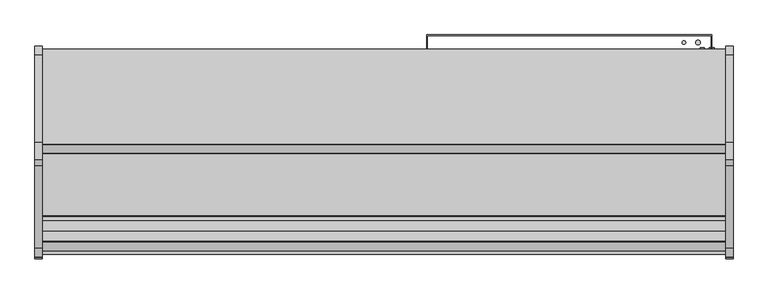
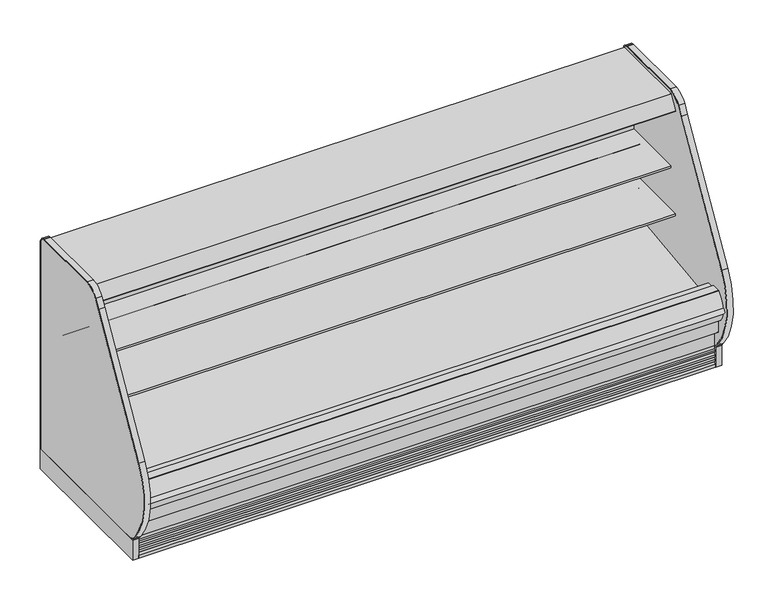
"""IFC4 building model written with IfcOpenShell, lengths in millimetres: proxy geometry."""

from ifc_helpers import new_model, si_unit, point, frame, frame_2d, origin, origin_with_axes, place, context, project, spatial, polyline, circle_curve, trimmed, segment, composite_curve, outline, extrude, source, transform, mapped, element, save
from ifc_brep_helpers import plane_surface, revolved_surface, advanced_brep


def mechanical_equipment_275120fc(model_context):
    return source(origin(), model_context, "Body", "SolidModel", [
        extrude(outline(polyline([(-1207.2868281, 130.175), (-1207.2868281, -0.0003808), (-1376.2339273, -0.0003808), (-1376.2339273, 136.4466748), (-1288.2500912, 136.4466748), (-1280.7758002, 130.175), (-1207.2868281, 130.175)])), frame((0.0, 0.0, 0.0), z_axis=(1.0, 0.0, 0.0), x_axis=(0.0, 1.0, 0.0)), (0.0, 0.0, 1.0), 3657.6),
        extrude(outline(composite_curve([segment(polyline([(-1398.2490481, 0.0), (-1398.2490481, 20.8794252)]), True, "CONTINUOUS"), segment(trimmed(circle_curve(frame_2d((-1397.8038485, 33.7824713)), 12.9107243), [point((-1398.2490481, 20.8794252))], [point((-1385.5100751, 29.8391301))], True, "CARTESIAN"), True, "CONTINUOUS"), segment(polyline([(-1385.5100751, 29.8391301), (-1381.3520273, 40.67714), (-1391.9892225, 38.5193172), (-1393.9831225, 38.5193172), (-1393.9831225, 51.2193172)]), True, "CONTINUOUS"), segment(trimmed(circle_curve(frame_2d((-1398.4009903, 64.7214645)), 14.2065314), [point((-1393.9831225, 51.2193172))], [point((-1384.8411244, 60.4840631))], True, "CARTESIAN"), True, "CONTINUOUS"), segment(polyline([(-1384.8411244, 60.4840631), (-1381.3520273, 71.6493231), (-1391.9892225, 69.4915004), (-1393.9831225, 69.4915004), (-1393.9831225, 82.1915004)]), True, "CONTINUOUS"), segment(trimmed(circle_curve(frame_2d((-1398.4733657, 95.765064)), 14.2969897), [point((-1393.9831225, 82.1915004))], [point((-1384.8411244, 91.4562462))], True, "CARTESIAN"), True, "CONTINUOUS"), segment(polyline([(-1384.8411244, 91.4562462), (-1381.3520273, 102.4950543), (-1391.9892225, 100.4638704), (-1393.9831225, 100.4638704), (-1393.9831225, 113.1638704)]), True, "CONTINUOUS"), segment(trimmed(circle_curve(frame_2d((-1393.3853579, 124.1285303)), 10.9809422), [point((-1393.9831225, 113.1638704))], [point((-1385.5996238, 116.3849243))], True, "CARTESIAN"), True, "CONTINUOUS"), segment(polyline([(-1385.5996238, 116.3849243), (-1385.5996238, 136.5150291), (-1385.5996238, 218.1326317), (-1376.2339273, 210.2738792), (-1376.2339273, 136.5150291), (-1376.2339273, 0.0), (-1398.2490481, 0.0)]), True, "CONTINUOUS")], self_intersect=False)), frame((0.0, 0.0, 0.0), z_axis=(1.0, 0.0, 0.0), x_axis=(0.0, 1.0, 0.0)), (0.0, 0.0, 1.0), 3657.6),
        extrude(outline(polyline([(0.0, -101.6), (0.0, 0.0), (3657.6, 0.0), (3657.6, -101.6), (0.0, -101.6)])), frame((3657.6, -799.6871494, 1475.6701837), z_axis=(0.0, 0.42261826174518546, 0.906307787034558), x_axis=(-1.0, 0.0, 0.0)), (0.0, 0.0, 1.0), 25.4),
        extrude(outline(composite_curve([segment(polyline([(-856.3720739, 1487.6222561), (-855.4141789, 1487.6575247), (-854.8866944, 1488.2643263), (-826.873982, 1488.75329), (-826.3775297, 1488.1402224), (-825.5510905, 1488.0799085), (-824.9739816, 1487.5027996), (-826.8086172, 1485.4249376), (-826.6916488, 1478.7238224)]), True, "CONTINUOUS"), segment(trimmed(circle_curve(frame_2d((-823.9572832, 1478.3207136)), 2.7639197), [point((-826.6916488, 1478.7238224))], [point((-824.8850662, 1475.717164))], True, "CARTESIAN"), True, "CONTINUOUS"), segment(trimmed(circle_curve(frame_2d((-826.0622124, 1472.4138499)), 3.5067873), [point((-824.8850662, 1475.717164))], [point((-823.8846356, 1475.1626163))], False, "CARTESIAN"), True, "CONTINUOUS"), segment(trimmed(circle_curve(frame_2d((-826.2189323, 1469.0233906)), 6.5680312), [point((-823.8846356, 1475.1626163))], [point((-819.6542304, 1469.2324879))], False, "CARTESIAN"), True, "CONTINUOUS"), segment(trimmed(circle_curve(frame_2d((-1771.7877951, 1448.0264548)), 952.3696872), [point((-819.6542304, 1469.2324879))], [point((-819.4223583, 1450.8717555))], False, "CARTESIAN"), True, "CONTINUOUS"), segment(trimmed(circle_curve(frame_2d((-850.2254196, 1450.8892193)), 30.8030662), [point((-819.4223583, 1450.8717555))], [point((-819.4538953, 1449.4955962))], False, "CARTESIAN"), True, "CONTINUOUS"), segment(trimmed(circle_curve(frame_2d((-820.1873248, 1449.5288127)), 0.7341812), [point((-819.4538953, 1449.4955962))], [point((-820.1745116, 1448.7947433))], False, "CARTESIAN"), True, "CONTINUOUS"), segment(polyline([(-820.1745116, 1448.7947433), (-821.4350911, 1448.7727398), (-822.2122695, 1449.0640291), (-858.1537301, 1448.4560531), (-859.1450473, 1448.07347), (-860.3206391, 1448.0939901)]), True, "CONTINUOUS"), segment(trimmed(circle_curve(frame_2d((-860.3078259, 1448.8280595)), 0.7341812), [point((-860.3206391, 1448.0939901))], [point((-861.0113379, 1448.6180762))], False, "CARTESIAN"), True, "CONTINUOUS"), segment(trimmed(circle_curve(frame_2d((308.1866283, 1488.9190227)), 1169.8923242), [point((-861.0113379, 1448.6180762))], [point((-861.5275157, 1468.501587))], False, "CARTESIAN"), True, "CONTINUOUS"), segment(trimmed(circle_curve(frame_2d((-855.2571389, 1468.6110368)), 6.2713319), [point((-861.5275157, 1468.501587))], [point((-858.4871137, 1473.9866175))], False, "CARTESIAN"), True, "CONTINUOUS"), segment(polyline([(-858.4871137, 1473.9866175), (-856.5261956, 1475.1648559)]), True, "CONTINUOUS"), segment(trimmed(circle_curve(frame_2d((-858.3327963, 1478.1715444)), 3.5077032), [point((-856.5261956, 1475.1648559))], [point((-854.825627, 1478.232742))], True, "CARTESIAN"), True, "CONTINUOUS"), segment(polyline([(-854.825627, 1478.232742), (-854.9784229, 1485.020105), (-856.884522, 1487.0327521), (-856.3720739, 1487.6222561)]), True, "CONTINUOUS")], self_intersect=False)), frame((0.0, 0.0, 0.0), z_axis=(1.0, 0.0, 0.0), x_axis=(0.0, 1.0, 0.0)), (0.0, 0.0, 1.0), 3657.6),
        extrude(outline(composite_curve([segment(polyline([(-903.3507477, 1486.8022403), (-902.3928526, 1486.8375089), (-901.8653681, 1487.4443105), (-873.8526557, 1487.9332742), (-873.3562034, 1487.3202066), (-872.5297642, 1487.2598927), (-871.9526553, 1486.6827838), (-873.787291, 1484.6049218), (-873.6703226, 1477.9038066)]), True, "CONTINUOUS"), segment(trimmed(circle_curve(frame_2d((-870.935957, 1477.5006978)), 2.7639197), [point((-873.6703226, 1477.9038066))], [point((-871.8637399, 1474.8971482))], True, "CARTESIAN"), True, "CONTINUOUS"), segment(trimmed(circle_curve(frame_2d((-873.0408861, 1471.5938341)), 3.5067873), [point((-871.8637399, 1474.8971482))], [point((-870.8633094, 1474.3426005))], False, "CARTESIAN"), True, "CONTINUOUS"), segment(trimmed(circle_curve(frame_2d((-873.1976061, 1468.2033748)), 6.5680312), [point((-870.8633094, 1474.3426005))], [point((-866.6329041, 1468.4124721))], False, "CARTESIAN"), True, "CONTINUOUS"), segment(trimmed(circle_curve(frame_2d((-1818.7664689, 1447.206439)), 952.3696872), [point((-866.6329041, 1468.4124721))], [point((-866.401032, 1450.0517397))], False, "CARTESIAN"), True, "CONTINUOUS"), segment(trimmed(circle_curve(frame_2d((-897.2040933, 1450.0692035)), 30.8030662), [point((-866.401032, 1450.0517397))], [point((-866.4325691, 1448.6755804))], False, "CARTESIAN"), True, "CONTINUOUS"), segment(trimmed(circle_curve(frame_2d((-867.1659985, 1448.7087969)), 0.7341812), [point((-866.4325691, 1448.6755804))], [point((-867.1531853, 1447.9747275))], False, "CARTESIAN"), True, "CONTINUOUS"), segment(polyline([(-867.1531853, 1447.9747275), (-868.4137648, 1447.952724), (-869.1909432, 1448.2440133), (-905.1324038, 1447.6360373), (-906.1237211, 1447.2534542), (-907.2993128, 1447.2739743)]), True, "CONTINUOUS"), segment(trimmed(circle_curve(frame_2d((-907.2864996, 1448.0080437)), 0.7341812), [point((-907.2993128, 1447.2739743))], [point((-907.9900116, 1447.7980604))], False, "CARTESIAN"), True, "CONTINUOUS"), segment(trimmed(circle_curve(frame_2d((261.2079545, 1488.0990069)), 1169.8923242), [point((-907.9900116, 1447.7980604))], [point((-908.5061894, 1467.6815712))], False, "CARTESIAN"), True, "CONTINUOUS"), segment(trimmed(circle_curve(frame_2d((-902.2358127, 1467.791021)), 6.2713319), [point((-908.5061894, 1467.6815712))], [point((-905.4657874, 1473.1666017))], False, "CARTESIAN"), True, "CONTINUOUS"), segment(polyline([(-905.4657874, 1473.1666017), (-903.5048694, 1474.3448401)]), True, "CONTINUOUS"), segment(trimmed(circle_curve(frame_2d((-905.31147, 1477.3515286)), 3.5077032), [point((-903.5048694, 1474.3448401))], [point((-901.8043008, 1477.4127262))], True, "CARTESIAN"), True, "CONTINUOUS"), segment(polyline([(-901.8043008, 1477.4127262), (-901.9570967, 1484.2000892), (-903.8631957, 1486.2127363), (-903.3507477, 1486.8022403)]), True, "CONTINUOUS")], self_intersect=False)), frame((0.0, 0.0, 0.0), z_axis=(1.0, 0.0, 0.0), x_axis=(0.0, 1.0, 0.0)), (0.0, 0.0, 1.0), 3657.6),
        extrude(outline(composite_curve([segment(polyline([(-1430.5207837, 390.4771975), (-1430.5207837, 349.2540688), (-1454.9909131, 349.2540688)]), True, "CONTINUOUS"), segment(trimmed(circle_curve(frame_2d((-1359.7644053, 433.283303)), 126.9999999), [point((-1454.9909131, 349.2540688))], [point((-1486.2875159, 444.2788694))], False, "CARTESIAN"), True, "CONTINUOUS"), segment(trimmed(circle_curve(frame_2d((-1312.9030759, 405.0685499)), 177.7628003), [point((-1486.2875159, 444.2788694))], [point((-1433.6857347, 535.4953973))], False, "CARTESIAN"), True, "CONTINUOUS"), segment(trimmed(circle_curve(frame_2d((-1422.8289382, 523.7717132)), 15.9785731), [point((-1433.6857347, 535.4953973))], [point((-1432.3887837, 536.575))], False, "CARTESIAN"), True, "CONTINUOUS"), segment(polyline([(-1432.3887837, 536.575), (-1377.3315877, 536.575), (-1377.3315877, 522.2875), (-1379.5124455, 522.2875), (-1379.5124455, 390.4771975), (-1430.5207837, 390.4771975)]), True, "CONTINUOUS")], self_intersect=False)), frame((0.0, 0.0, 0.0), z_axis=(1.0, 0.0, 0.0), x_axis=(0.0, 1.0, 0.0)), (0.0, 0.0, 1.0), 3657.6),
        extrude(outline(composite_curve([segment(trimmed(circle_curve(frame_2d((1828.8, -1125.4089273)), 38.1), [point((1790.7, -1125.4089273))], [point((1866.9, -1125.4089273))], False, "CARTESIAN"), True, "CONTINUOUS"), segment(trimmed(circle_curve(frame_2d((1828.8, -1125.4089273)), 38.1), [point((1866.9, -1125.4089273))], [point((1790.7, -1125.4089273))], False, "CARTESIAN"), True, "CONTINUOUS")], self_intersect=False)), frame((0.0, 0.0, 68.5310382), z_axis=(0.0, 0.0, 1.0), x_axis=(1.0, 0.0, 0.0)), (0.0, 0.0, 1.0), 52.7807458),
        extrude(outline(polyline([(3657.6, -452.3089273), (3657.6, -503.4770145), (0.0, -503.4770145), (0.0, -452.3089273), (3657.6, -452.3089273)])), frame((0.0, 0.0, 415.8429537), z_axis=(0.0, 0.0, 1.0), x_axis=(1.0, 0.0, 0.0)), (0.0, 0.0, 1.0), 1046.4774215),
        extrude(outline(composite_curve([segment(polyline([(-503.4770145, 415.8429537), (-452.3089273, 415.8429537), (-452.3089273, 350.7638053)]), True, "CONTINUOUS"), segment(trimmed(circle_curve(frame_2d((-604.8944357, 364.8057873)), 153.2302667), [point((-452.3089273, 350.7638053))], [point((-599.382701, 211.674682))], False, "CARTESIAN"), True, "CONTINUOUS"), segment(polyline([(-599.382701, 211.674682), (-1043.4743285, 195.6902403), (-1096.5862318, 157.108203), (-1163.4022387, 157.108203), (-1222.6456907, 183.5781606)]), True, "CONTINUOUS"), segment(trimmed(circle_curve(frame_2d((-1229.7607422, 334.6755912)), 151.2648587), [point((-1222.6456907, 183.5781606))], [point((-1379.5124455, 313.3335003))], False, "CARTESIAN"), True, "CONTINUOUS"), segment(polyline([(-1379.5124455, 313.3335003), (-1379.5124455, 520.7), (-1322.6270145, 520.7), (-1322.6270145, 413.1242521), (-1298.2271496, 413.1242521), (-1292.7855784, 415.0658915), (-599.3661067, 499.7256153), (-599.0019346, 494.5177112), (-516.37749, 500.2953752)]), True, "CONTINUOUS"), segment(trimmed(circle_curve(frame_2d((-516.37749, 513.1958507)), 12.9004754), [point((-516.37749, 500.2953752))], [point((-503.4770145, 513.1958507))], True, "CARTESIAN"), True, "CONTINUOUS"), segment(polyline([(-503.4770145, 513.1958507), (-503.4770145, 415.8429537)]), True, "CONTINUOUS")], self_intersect=False)), frame((0.0, 0.0, 0.0), z_axis=(1.0, 0.0, 0.0), x_axis=(0.0, 1.0, 0.0)), (0.0, 0.0, 1.0), 3657.6),
        extrude(outline(composite_curve([segment(polyline([(-530.9801751, 960.3717348), (-569.2018757, 991.4550034)]), True, "CONTINUOUS"), segment(trimmed(circle_curve(frame_2d((-609.2663488, 942.1895186)), 63.5), [point((-569.2018757, 991.4550034))], [point((-601.7092961, 1005.2382375))], True, "CARTESIAN"), True, "CONTINUOUS"), segment(polyline([(-601.7092961, 1005.2382375), (-795.7710126, 1028.4985771), (-795.7710126, 1042.2134588), (-909.8770145, 1042.2134588), (-909.8770145, 1055.7072088), (-503.4770145, 1055.7072088), (-503.4770145, 954.8969333), (-514.5849068, 954.6806162)]), True, "CONTINUOUS"), segment(trimmed(circle_curve(frame_2d((-515.0728525, 979.736644)), 25.0607786), [point((-514.5849068, 954.6806162))], [point((-530.9801751, 960.3717348))], False, "CARTESIAN"), True, "CONTINUOUS")], self_intersect=False)), frame((0.0, 0.0, 0.0), z_axis=(1.0, 0.0, 0.0), x_axis=(0.0, 1.0, 0.0)), (0.0, 0.0, 1.0), 3657.6),
        extrude(outline(composite_curve([segment(polyline([(-503.4770145, 662.7969333), (-514.5849068, 662.5806162)]), True, "CONTINUOUS"), segment(trimmed(circle_curve(frame_2d((-515.0728525, 687.636644)), 25.0607786), [point((-514.5849068, 662.5806162))], [point((-530.9801751, 668.2717348))], False, "CARTESIAN"), True, "CONTINUOUS"), segment(polyline([(-530.9801751, 668.2717348), (-569.2018757, 699.3550034)]), True, "CONTINUOUS"), segment(trimmed(circle_curve(frame_2d((-609.2663488, 650.0895186)), 63.5), [point((-569.2018757, 699.3550034))], [point((-602.5000022, 713.2279898))], True, "CARTESIAN"), True, "CONTINUOUS"), segment(polyline([(-602.5000022, 713.2279898), (-846.5710126, 728.338644), (-846.5710126, 750.1134588), (-960.6770145, 750.1134588), (-960.6770145, 763.6072088), (-503.4770145, 763.6072088), (-503.4770145, 662.7969333)]), True, "CONTINUOUS")], self_intersect=False)), frame((0.0, 0.0, 0.0), z_axis=(1.0, 0.0, 0.0), x_axis=(0.0, 1.0, 0.0)), (0.0, 0.0, 1.0), 3657.6),
        extrude(outline(composite_curve([segment(trimmed(circle_curve(frame_2d((-695.3013052, 1455.43905)), 0.76835), [point((-695.3013052, 1456.2074))], [point((-695.9976668, 1455.7637687))], True, "CARTESIAN"), True, "CONTINUOUS"), segment(polyline([(-695.9976668, 1455.7637687), (-706.5611798, 1433.110242)]), True, "CONTINUOUS"), segment(trimmed(circle_curve(frame_2d((-707.9856498, 1433.7744833)), 1.5717288), [point((-706.5611798, 1433.110242))], [point((-708.6498911, 1432.3500132))], False, "CARTESIAN"), True, "CONTINUOUS"), segment(polyline([(-708.6498911, 1432.3500132), (-715.881023, 1435.7219454), (-715.5482534, 1436.4355721), (-708.2947774, 1433.0532208)]), True, "CONTINUOUS"), segment(trimmed(circle_curve(frame_2d((-707.943721, 1433.7474904)), 0.7779788), [point((-708.2947774, 1433.0532208))], [point((-707.2380589, 1433.419936))], True, "CARTESIAN"), True, "CONTINUOUS"), segment(polyline([(-707.2380589, 1433.419936), (-696.6605659, 1456.2074), (-788.8757065, 1499.8444274), (-800.3012047, 1476.8507393)]), True, "CONTINUOUS"), segment(trimmed(circle_curve(frame_2d((-799.6017464, 1476.5031805)), 0.78105), [point((-800.3012047, 1476.8507393))], [point((-799.950235, 1475.8041849))], True, "CARTESIAN"), True, "CONTINUOUS"), segment(polyline([(-799.950235, 1475.8041849), (-795.6757679, 1473.6731228), (-796.0261524, 1472.9679779), (-800.3025155, 1475.0928905)]), True, "CONTINUOUS"), segment(trimmed(circle_curve(frame_2d((-799.6017464, 1476.5031805)), 1.5748), [point((-800.3025155, 1475.0928905))], [point((-801.0120364, 1477.2039496))], False, "CARTESIAN"), True, "CONTINUOUS"), segment(polyline([(-801.0120364, 1477.2039496), (-796.0056712, 1487.2792037), (-816.3291285, 1487.2792037)]), True, "CONTINUOUS"), segment(trimmed(circle_curve(frame_2d((-816.5814575, 1490.9411983)), 3.6706776), [point((-816.3291285, 1487.2792037))], [point((-817.4214474, 1487.3679237))], False, "CARTESIAN"), True, "CONTINUOUS"), segment(polyline([(-817.4214474, 1487.3679237), (-825.4219867, 1488.7786346), (-923.6334072, 1487.0643479)]), True, "CONTINUOUS"), segment(trimmed(circle_curve(frame_2d((-923.6196651, 1486.2770678)), 0.7874), [point((-923.6334072, 1487.0643479))], [point((-924.3015736, 1486.6707678))], True, "CARTESIAN"), True, "CONTINUOUS"), segment(polyline([(-924.3015736, 1486.6707678), (-925.5155025, 1486.0413812), (-941.8431879, 1457.7610006), (-942.4019879, 1456.7931306), (-948.3519379, 1446.4875149)]), True, "CONTINUOUS"), segment(trimmed(circle_curve(frame_2d((-949.7267532, 1447.2812649)), 1.5875), [point((-948.3519379, 1446.4875149))], [point((-950.5205032, 1445.9064496))], False, "CARTESIAN"), True, "CONTINUOUS"), segment(polyline([(-950.5205032, 1445.9064496), (-960.9762429, 1451.9430737)]), True, "CONTINUOUS"), segment(trimmed(circle_curve(frame_2d((-960.1824929, 1453.317889)), 1.5875), [point((-960.9762429, 1451.9430737))], [point((-961.5573082, 1454.111639))], False, "CARTESIAN"), True, "CONTINUOUS"), segment(polyline([(-961.5573082, 1454.111639), (-912.4789521, 1539.1178453)]), True, "CONTINUOUS"), segment(trimmed(circle_curve(frame_2d((-911.133385, 1538.3409817)), 1.553727), [point((-912.4789521, 1539.1178453))], [point((-911.133385, 1539.8947088))], False, "CARTESIAN"), True, "CONTINUOUS"), segment(polyline([(-911.133385, 1539.8947088), (-401.5419232, 1539.8947088), (-401.5419232, 1456.2074), (-695.3013052, 1456.2074)]), True, "CONTINUOUS")], self_intersect=False)), frame((0.0, 0.0, 0.0), z_axis=(1.0, 0.0, 0.0), x_axis=(0.0, 1.0, 0.0)), (0.0, 0.0, 1.0), 3657.6),
        extrude(outline(composite_curve([segment(trimmed(circle_curve(frame_2d((3412.7400636, -715.8339273)), 9.525), [point((3403.2150636, -715.8339273))], [point((3422.2650636, -715.8339273))], False, "CARTESIAN"), True, "CONTINUOUS"), segment(trimmed(circle_curve(frame_2d((3412.7400636, -715.8339273)), 9.525), [point((3422.2650636, -715.8339273))], [point((3403.2150636, -715.8339273))], False, "CARTESIAN"), True, "CONTINUOUS")], self_intersect=False)), frame((0.0, 0.0, 68.5310382), z_axis=(0.0, 0.0, 1.0), x_axis=(1.0, 0.0, 0.0)), (0.0, 0.0, 1.0), 52.7807458),
        extrude(outline(composite_curve([segment(trimmed(circle_curve(frame_2d((3456.2110784, -715.8339273)), 12.7), [point((3443.5110784, -715.8339273))], [point((3468.9110784, -715.8339273))], False, "CARTESIAN"), True, "CONTINUOUS"), segment(trimmed(circle_curve(frame_2d((3456.2110784, -715.8339273)), 12.7), [point((3468.9110784, -715.8339273))], [point((3443.5110784, -715.8339273))], False, "CARTESIAN"), True, "CONTINUOUS")], self_intersect=False)), frame((0.0, 0.0, 68.5310382), z_axis=(0.0, 0.0, 1.0), x_axis=(1.0, 0.0, 0.0)), (0.0, 0.0, 1.0), 52.7807458),
        advanced_brep(
        [(0.0, -401.5089273, 1495.0345648), (0.0, -401.5089273, 130.175), (0.0, -1280.7758002, 130.175), (0.0, -1430.5207837, 255.8259604), (0.0, -1430.5207837, 390.4771975), (0.0, -1379.5124455, 390.4771975), (0.0, -1379.5124455, 313.3335003), (0.0, -1222.6456907, 183.5781606), (0.0, -1163.4022387, 157.108203), (0.0, -1097.1040899, 157.108203), (0.0, -1043.9921866, 195.6902403), (0.0, -599.382701, 211.674682), (0.0, -452.3089273, 350.7638053), (0.0, -452.3089273, 1495.0345648), (3657.6, -401.5089273, 1495.0345648), (3657.6, -452.3089273, 1495.0345648), (3657.6, -452.3089273, 350.7638053), (3657.6, -599.382701, 211.674682), (3657.6, -1043.9921866, 195.6902403), (3657.6, -1097.1040899, 157.108203), (3657.6, -1163.4022387, 157.108203), (3657.6, -1222.6456907, 183.5781606), (3657.6, -1379.5124455, 313.3335003), (3657.6, -1379.5124455, 390.4771975), (3657.6, -1430.5207837, 390.4771975), (3657.6, -1430.5207837, 255.8259604), (3657.6, -1280.7758002, 130.175), (3657.6, -401.5089273, 130.175), (3556.0, -401.5089273, 417.7254285), (3556.0, -401.5089273, 316.1254285), (3556.0, -446.7209273, 316.1254285), (3556.0, -446.7209273, 417.7254285)],
        [
            (0, 1),
            (1, 2),
            (2, 3),
            (3, 4),
            (4, 5),
            (5, 6),
            (6, 7, circle_curve(frame((0.0, -1229.7607422, 334.6755912), z_axis=(1.0, 0.0, 0.0), x_axis=(0.0, 1.0, 0.0)), 151.2648587)),
            (7, 8),
            (8, 9),
            (9, 10),
            (10, 11),
            (11, 12, circle_curve(frame((0.0, -604.8944357, 364.8057873), z_axis=(1.0, 0.0, 0.0), x_axis=(0.0, 1.0, 0.0)), 153.2302667)),
            (12, 13),
            (13, 0),
            (14, 15),
            (15, 16),
            (16, 17, circle_curve(frame((3657.6, -604.8944357, 364.8057873), z_axis=(-1.0, 0.0, 0.0), x_axis=(0.0, 1.0, 0.0)), 153.2302667)),
            (17, 18),
            (18, 19),
            (19, 20),
            (20, 21),
            (21, 22, circle_curve(frame((3657.6, -1229.7607422, 334.6755912), z_axis=(-1.0, 0.0, 0.0), x_axis=(0.0, 1.0, 0.0)), 151.2648587)),
            (22, 23),
            (23, 24),
            (24, 25),
            (25, 26),
            (26, 27),
            (27, 14),
            (13, 15),
            (14, 0),
            (12, 16),
            (5, 23),
            (22, 6),
            (4, 24),
            (3, 25),
            (2, 26),
            (1, 27),
            (28, 29, circle_curve(frame((3556.0, -401.5089273, 366.9254285), z_axis=(0.0, -1.0, 0.0), x_axis=(0.0, 0.0, 1.0)), 50.8)),
            (29, 28, circle_curve(frame((3556.0, -401.5089273, 366.9254285), z_axis=(0.0, -1.0, 0.0), x_axis=(0.0, 0.0, 1.0)), 50.8)),
            (11, 17),
            (10, 18),
            (9, 19),
            (8, 20),
            (30, 31, circle_curve(frame((3556.0, -446.7209273, 366.9254285), z_axis=(0.0, 1.0, 0.0), x_axis=(0.0, 0.0, 1.0)), 50.8)),
            (31, 30, circle_curve(frame((3556.0, -446.7209273, 366.9254285), z_axis=(0.0, 1.0, 0.0), x_axis=(0.0, 0.0, 1.0)), 50.8)),
            (30, 29),
            (28, 31),
            (7, 21),
        ],
        [
            plane_surface(frame((0.0, -452.3089273, 1495.0345648), z_axis=(-1.0, 0.0, 0.0), x_axis=(0.0, 1.0, 0.0))),
            plane_surface(frame((3657.6, -452.3089273, 1495.0345648), z_axis=(1.0, 0.0, 0.0), x_axis=(0.0, -1.0, 0.0))),
            plane_surface(frame((3657.6, -401.5089273, 1495.0345648), z_axis=(0.0, 0.0, 1.0), x_axis=(-1.0, 0.0, 0.0))),
            plane_surface(frame((3657.6, -452.3089273, 1495.0345648), z_axis=(0.0, -1.0, 0.0), x_axis=(-1.0, 0.0, 0.0))),
            plane_surface(frame((3657.6, -1379.5124455, 313.3335003), z_axis=(0.0, 1.0, 0.0), x_axis=(-1.0, 0.0, 0.0))),
            plane_surface(frame((3657.6, -1379.5124455, 390.4771975), z_axis=(0.0, 0.0, 1.0), x_axis=(-1.0, 0.0, 0.0))),
            plane_surface(frame((3657.6, -1430.5207837, 390.4771975), z_axis=(0.0, -1.0, 0.0), x_axis=(-1.0, 0.0, 0.0))),
            plane_surface(frame((3657.6, -1430.5207837, 255.8259604), z_axis=(0.0, -0.6427876096870797, -0.7660444431185247), x_axis=(-1.0, 0.0, 0.0))),
            plane_surface(frame((3657.6, -1280.7758002, 130.175), z_axis=(0.0, 0.0, -1.0), x_axis=(-1.0, 0.0, 0.0))),
            plane_surface(frame((3657.6, -401.5089273, 130.175), z_axis=(0.0, 1.0, 0.0), x_axis=(-1.0, 0.0, 0.0))),
            revolved_surface(polyline([(0.0, -451.664169, 364.8057873), (3657.6, -451.664169, 364.8057873)]), (0.0, -604.8944357, 364.8057873), (-1.0, 0.0, 0.0)),
            plane_surface(frame((3657.6, -599.382701, 211.674682), z_axis=(0.0, -0.03592843195619589, 0.9993543654666092), x_axis=(-1.0, 0.0, 0.0))),
            plane_surface(frame((3657.6, -1043.9921866, 195.6902403), z_axis=(0.0, -0.5877252382161418, 0.8090605937528904), x_axis=(-1.0, 0.0, 0.0))),
            plane_surface(frame((3657.6, -1097.1040899, 157.108203), z_axis=(0.0, 0.0, 1.0), x_axis=(-1.0, 0.0, 0.0))),
            plane_surface(frame((3556.0, -446.7209273, 417.7254285), z_axis=(0.0, 1.0, 0.0), x_axis=(-1.0, 0.0, 0.0))),
            revolved_surface(polyline([(3556.0, -401.5089273, 417.7254285), (3556.0, -446.7209273, 417.7254285)]), (3556.0, -446.7209273, 366.9254285), (0.0, 1.0, 0.0)),
            plane_surface(frame((3657.6, -1163.4022387, 157.108203), z_axis=(0.0, 0.4079333701562298, 0.9130117006440719), x_axis=(-1.0, 0.0, 0.0))),
            revolved_surface(polyline([(0.0, -1078.4958835000002, 334.6755912), (3657.6, -1078.4958835000002, 334.6755912)]), (0.0, -1229.7607422, 334.6755912), (-1.0, 0.0, 0.0)),
        ],
        [
            (0, [[1, 2, 3, 4, 5, 6, 7, 8, 9, 10, 11, 12, 13, 14]]),
            (1, [[15, 16, 17, 18, 19, 20, 21, 22, 23, 24, 25, 26, 27, 28]]),
            (2, [[-14, 29, -15, 30]]),
            (3, [[-13, 31, -16, -29]]),
            (4, [[-6, 32, -23, 33]]),
            (5, [[-5, 34, -24, -32]]),
            (6, [[-4, 35, -25, -34]]),
            (7, [[-3, 36, -26, -35]]),
            (8, [[-2, 37, -27, -36]]),
            (9, [[-1, -30, -28, -37], [38, 39]]),
            (10, [[-12, 40, -17, -31]]),
            (11, [[-11, 41, -18, -40]]),
            (12, [[-10, 42, -19, -41]]),
            (13, [[-9, 43, -20, -42]]),
            (14, [[44, 45]]),
            (15, [[-44, 46, -38, 47]]),
            (15, [[-45, -47, -39, -46]]),
            (16, [[-8, 48, -21, -43]]),
            (17, [[-7, -33, -22, -48]]),
        ],
    ),
        extrude(outline(composite_curve([segment(trimmed(circle_curve(frame_2d((-1359.976437, 433.7703881)), 126.8661634), [point((-1486.5241419, 442.7538054))], [point((-1485.1943519, 413.38664))], True, "CARTESIAN"), True, "CONTINUOUS"), segment(trimmed(circle_curve(frame_2d((-1481.8568934, 431.5331592)), 18.450875), [point((-1485.1943519, 413.38664))], [point((-1484.8478424, 449.7399989))], False, "CARTESIAN"), True, "CONTINUOUS"), segment(trimmed(circle_curve(frame_2d((-1312.8669676, 404.7799086)), 177.7606003), [point((-1484.8478424, 449.7399989))], [point((-1486.5241419, 442.7538054))], True, "CARTESIAN"), True, "CONTINUOUS")], self_intersect=False)), frame((0.0, 0.0, 0.0), z_axis=(1.0, 0.0, 0.0), x_axis=(0.0, 1.0, 0.0)), (0.0, 0.0, 1.0), 3657.6),
        extrude(outline(composite_curve([segment(trimmed(circle_curve(frame_2d((368.3, 3581.4)), 12.7), [point((368.3, 3594.1))], [point((368.3, 3568.7))], False, "CARTESIAN"), True, "CONTINUOUS"), segment(trimmed(circle_curve(frame_2d((368.3, 3581.4)), 12.7), [point((368.3, 3568.7))], [point((368.3, 3594.1))], False, "CARTESIAN"), True, "CONTINUOUS")], self_intersect=False)), frame((0.0, -446.7209273, 0.0), z_axis=(0.0, 1.0, 0.0), x_axis=(0.0, 0.0, 1.0)), (0.0, 0.0, 1.0), 52.8518438),
        extrude(outline(composite_curve([segment(trimmed(circle_curve(frame_2d((368.3, 3530.6)), 9.525), [point((368.3, 3540.125))], [point((368.3, 3521.075))], False, "CARTESIAN"), True, "CONTINUOUS"), segment(trimmed(circle_curve(frame_2d((368.3, 3530.6)), 9.525), [point((368.3, 3521.075))], [point((368.3, 3540.125))], False, "CARTESIAN"), True, "CONTINUOUS")], self_intersect=False)), frame((0.0, -446.7209273, 0.0), z_axis=(0.0, 1.0, 0.0), x_axis=(0.0, 0.0, 1.0)), (0.0, 0.0, 1.0), 52.8518438),
        advanced_brep(
        [(0.0, -401.5089273, 130.175), (0.0, -401.5089273, 0.0), (0.0, -442.9395023, 0.0), (0.0, -442.9395023, 46.0815692), (0.0, -1163.3527173, 46.0815692), (0.0, -1163.3527173, -0.0003808), (0.0, -1207.2868281, -0.0003808), (0.0, -1207.2868281, 130.175), (3657.6, -401.5089273, 130.175), (3657.6, -1207.2868281, 130.175), (3657.6, -1207.2868281, -0.0003808), (3657.6, -1163.3527173, -0.0003808), (3657.6, -1163.3527173, 46.0815692), (3657.6, -442.9395023, 46.0815692), (3657.6, -442.9395023, 0.0), (3657.6, -401.5089273, 0.0), (1778.0, -1125.4089273, 121.311784), (1879.6, -1125.4089273, 121.311784), (1879.6, -1125.4089273, 46.0815692), (1862.5773415, -1163.3527173, 46.0815692), (1862.5773415, -1163.3527173, -0.0003808), (1795.0226585, -1163.3527173, -0.0003808), (1795.0226585, -1163.3527173, 46.0815692), (1778.0, -1125.4089273, 46.0815692), (3384.55, -717.7620933, 121.311784), (3486.15, -717.7620933, 121.311784), (3486.15, -717.7620933, 46.0815692), (3384.55, -717.7620933, 46.0815692)],
        [
            (0, 1),
            (1, 2),
            (2, 3),
            (3, 4),
            (4, 5),
            (5, 6),
            (6, 7),
            (7, 0),
            (8, 9),
            (9, 10),
            (10, 11),
            (11, 12),
            (12, 13),
            (13, 14),
            (14, 15),
            (15, 8),
            (0, 8),
            (15, 1),
            (16, 17, circle_curve(frame((1828.8, -1125.4089273, 121.311784), z_axis=(0.0, 0.0, -1.0), x_axis=(1.0, 0.0, 0.0)), 50.8)),
            (17, 16, circle_curve(frame((1828.8, -1125.4089273, 121.311784), z_axis=(0.0, 0.0, -1.0), x_axis=(1.0, 0.0, 0.0)), 50.8)),
            (17, 18),
            (18, 19, circle_curve(frame((1828.8, -1125.4089273, 46.0815692), z_axis=(0.0, 0.0, -1.0), x_axis=(1.0, 0.0, 0.0)), 50.8)),
            (19, 20),
            (20, 21, circle_curve(frame((1828.8, -1125.4089273, -0.0003808), z_axis=(0.0, 0.0, -1.0), x_axis=(1.0, 0.0, 0.0)), 50.8)),
            (21, 22),
            (22, 23, circle_curve(frame((1828.8, -1125.4089273, 46.0815692), z_axis=(0.0, 0.0, -1.0), x_axis=(1.0, 0.0, 0.0)), 50.8)),
            (23, 16),
            (23, 18, circle_curve(frame((1828.8, -1125.4089273, 46.0815692), z_axis=(0.0, 0.0, -1.0), x_axis=(1.0, 0.0, 0.0)), 50.8)),
            (24, 25, circle_curve(frame((3435.35, -717.7620933, 121.311784), z_axis=(0.0, 0.0, -1.0), x_axis=(1.0, 0.0, 0.0)), 50.8)),
            (25, 24, circle_curve(frame((3435.35, -717.7620933, 121.311784), z_axis=(0.0, 0.0, -1.0), x_axis=(1.0, 0.0, 0.0)), 50.8)),
            (25, 26),
            (26, 27, circle_curve(frame((3435.35, -717.7620933, 46.0815692), z_axis=(0.0, 0.0, -1.0), x_axis=(1.0, 0.0, 0.0)), 50.8)),
            (27, 24),
            (27, 26, circle_curve(frame((3435.35, -717.7620933, 46.0815692), z_axis=(0.0, 0.0, -1.0), x_axis=(1.0, 0.0, 0.0)), 50.8)),
            (4, 22),
            (21, 5),
            (11, 20),
            (19, 12),
            (3, 13),
            (2, 14),
            (7, 9),
            (6, 10),
        ],
        [
            plane_surface(frame((0.0, -1174.6544232, 130.175), z_axis=(-1.0, 0.0, 0.0), x_axis=(0.0, 1.0, 0.0))),
            plane_surface(frame((3657.6, -1174.6544232, 130.175), z_axis=(1.0, 0.0, 0.0), x_axis=(0.0, -1.0, 0.0))),
            plane_surface(frame((3657.6, -401.5089273, 0.0), z_axis=(0.0, 1.0, 0.0), x_axis=(-1.0, 0.0, 0.0))),
            plane_surface(frame((1879.6, -1125.4089273, 121.311784), z_axis=(0.0, 0.0, -1.0), x_axis=(0.0, 1.0, 0.0))),
            revolved_surface(polyline([(1879.6, -1125.4089273, 121.311784), (1879.6, -1125.4089273, -0.0003808)]), (1828.8, -1125.4089273, 0.0), (0.0, 0.0, 1.0)),
            revolved_surface(polyline([(1879.6, -1125.4089273, 121.311784), (1879.6, -1125.4089273, 46.0815692)]), (1828.8, -1125.4089273, 0.0), (0.0, 0.0, 1.0)),
            plane_surface(frame((3486.15, -717.7620933, 121.311784), z_axis=(0.0, 0.0, -1.0), x_axis=(0.0, 1.0, 0.0))),
            revolved_surface(polyline([(3486.15, -717.7620933, 121.311784), (3486.15, -717.7620933, 46.0815692)]), (3435.35, -717.7620933, 0.0), (0.0, 0.0, 1.0)),
            plane_surface(frame((3657.6, -1163.3527173, -0.0003808), z_axis=(0.0, 1.0, 0.0), x_axis=(-1.0, 0.0, 0.0))),
            plane_surface(frame((3657.6, -1163.3527173, 46.0815692), z_axis=(0.0, 0.0, -1.0), x_axis=(-1.0, 0.0, 0.0))),
            plane_surface(frame((3657.6, -442.9395023, 46.0815692), z_axis=(0.0, -1.0, 0.0), x_axis=(-1.0, 0.0, 0.0))),
            plane_surface(frame((3657.6, -442.9395023, 0.0), z_axis=(0.0, 0.0, -1.0), x_axis=(-1.0, 0.0, 0.0))),
            plane_surface(frame((3657.6, -401.5089273, 130.175), z_axis=(0.0, 0.0, 1.0), x_axis=(-1.0, 0.0, 0.0))),
            plane_surface(frame((3657.6, -1207.2868281, 130.175), z_axis=(0.0, -1.0, 0.0), x_axis=(-1.0, 0.0, 0.0))),
            plane_surface(frame((3657.6, -1207.2868281, -0.0003808), z_axis=(0.0, 0.0, -1.0), x_axis=(-1.0, 0.0, 0.0))),
        ],
        [
            (0, [[1, 2, 3, 4, 5, 6, 7, 8]]),
            (1, [[9, 10, 11, 12, 13, 14, 15, 16]]),
            (2, [[-1, 17, -16, 18]]),
            (3, [[19, 20]]),
            (4, [[-20, 21, 22, 23, 24, 25, 26, 27]]),
            (5, [[-19, -27, 28, -21]]),
            (6, [[29, 30]]),
            (7, [[-30, 31, 32, 33]]),
            (7, [[-29, -33, 34, -31]]),
            (8, [[-5, 35, -25, 36]]),
            (8, [[-12, 37, -23, 38]]),
            (9, [[-4, 39, -13, -38, -22, -28, -26, -35], [-32, -34]]),
            (10, [[-3, 40, -14, -39]]),
            (11, [[-2, -18, -15, -40]]),
            (12, [[-8, 41, -9, -17]]),
            (13, [[-7, 42, -10, -41]]),
            (14, [[-6, -36, -24, -37, -11, -42]]),
        ],
    ),
        extrude(outline(polyline([(688.975, -695.7578022), (688.975, -1117.5324221), (180.975, -1117.5324221), (180.975, -695.7578022), (688.975, -695.7578022)])), frame((0.0, 0.0, 68.5310382), z_axis=(0.0, 0.0, 1.0), x_axis=(1.0, 0.0, 0.0)), (0.0, 0.0, 1.0), 6.35),
        extrude(outline(polyline([(3578.225, -401.5089273), (3578.225, -328.4839273), (2060.575, -328.4839273), (2060.575, -401.5089273), (2057.4, -401.5089273), (2057.4, -325.3089273), (3581.4, -325.3089273), (3581.4, -401.5089273), (3578.225, -401.5089273)])), frame((0.0, 0.0, 509.3917508), z_axis=(0.0, 0.0, 1.0), x_axis=(1.0, 0.0, 0.0)), (0.0, 0.0, 1.0), 744.968275),
        extrude(outline(composite_curve([segment(trimmed(circle_curve(frame_2d((3432.175, -366.5839273)), 9.525), [point((3422.65, -366.5839273))], [point((3441.7, -366.5839273))], False, "CARTESIAN"), True, "CONTINUOUS"), segment(trimmed(circle_curve(frame_2d((3432.175, -366.5839273)), 9.525), [point((3441.7, -366.5839273))], [point((3422.65, -366.5839273))], False, "CARTESIAN"), True, "CONTINUOUS")], self_intersect=False)), frame((0.0, 0.0, 938.4284214), z_axis=(0.0, 0.0, 1.0), x_axis=(1.0, 0.0, 0.0)), (0.0, 0.0, 1.0), 359.2448082),
        extrude(outline(composite_curve([segment(trimmed(circle_curve(frame_2d((3508.375, -366.5839273)), 12.7), [point((3495.675, -366.5839273))], [point((3521.075, -366.5839273))], False, "CARTESIAN"), True, "CONTINUOUS"), segment(trimmed(circle_curve(frame_2d((3508.375, -366.5839273)), 12.7), [point((3521.075, -366.5839273))], [point((3495.675, -366.5839273))], False, "CARTESIAN"), True, "CONTINUOUS")], self_intersect=False)), frame((0.0, 0.0, 938.4284214), z_axis=(0.0, 0.0, 1.0), x_axis=(1.0, 0.0, 0.0)), (0.0, 0.0, 1.0), 359.2448082),
        extrude(outline(composite_curve([segment(polyline([(-391.9839273, 1520.06879), (-391.9839273, 136.525), (-1385.6035478, 136.525), (-1385.6035478, 142.8650291), (-1394.3058513, 142.8650291)]), True, "CONTINUOUS"), segment(trimmed(circle_curve(frame_2d((-1394.3058513, 146.0172985)), 3.1522695), [point((-1394.3058513, 142.8650291))], [point((-1396.6425152, 143.9014525))], False, "CARTESIAN"), True, "CONTINUOUS"), segment(trimmed(circle_curve(frame_2d((-1254.3960787, 272.7054115)), 191.8971301), [point((-1396.6425152, 143.9014525))], [point((-1413.8476931, 165.936075))], False, "CARTESIAN"), True, "CONTINUOUS"), segment(trimmed(circle_curve(frame_2d((-1063.8305371, 460.0786093)), 457.2), [point((-1413.8476931, 165.936075))], [point((-1459.7773517, 688.6786093))], False, "CARTESIAN"), True, "CONTINUOUS"), segment(polyline([(-1459.7773517, 688.6786093), (-987.1063555, 1507.36879)]), True, "CONTINUOUS"), segment(trimmed(circle_curve(frame_2d((-899.1181745, 1456.56879)), 101.6), [point((-987.1063555, 1507.36879))], [point((-899.1181745, 1558.16879))], False, "CARTESIAN"), True, "CONTINUOUS"), segment(polyline([(-899.1181745, 1558.16879), (-430.0839273, 1558.16879)]), True, "CONTINUOUS"), segment(trimmed(circle_curve(frame_2d((-430.0839273, 1520.06879)), 38.1), [point((-430.0839273, 1558.16879))], [point((-391.9839273, 1520.06879))], False, "CARTESIAN"), True, "CONTINUOUS")], self_intersect=False)), frame((3657.6, 0.0, 0.0), z_axis=(1.0, 0.0, 0.0), x_axis=(0.0, 1.0, 0.0)), (0.0, 0.0, 1.0), 38.1),
        extrude(outline(composite_curve([segment(polyline([(-391.9839273, 1520.06879), (-391.9839273, 136.4983166), (-1385.6035478, 136.4983166), (-1385.6035478, 142.8650291), (-1394.3058513, 142.8650291)]), True, "CONTINUOUS"), segment(trimmed(circle_curve(frame_2d((-1394.3058513, 146.0172985)), 3.1522695), [point((-1394.3058513, 142.8650291))], [point((-1396.6425152, 143.9014525))], False, "CARTESIAN"), True, "CONTINUOUS"), segment(trimmed(circle_curve(frame_2d((-1254.3960787, 272.7054115)), 191.8971301), [point((-1396.6425152, 143.9014525))], [point((-1413.8476931, 165.936075))], False, "CARTESIAN"), True, "CONTINUOUS"), segment(trimmed(circle_curve(frame_2d((-1063.8305371, 460.0786093)), 457.2), [point((-1413.8476931, 165.936075))], [point((-1459.7773517, 688.6786093))], False, "CARTESIAN"), True, "CONTINUOUS"), segment(polyline([(-1459.7773517, 688.6786093), (-987.1063555, 1507.36879)]), True, "CONTINUOUS"), segment(trimmed(circle_curve(frame_2d((-899.1181745, 1456.56879)), 101.6), [point((-987.1063555, 1507.36879))], [point((-899.1181745, 1558.16879))], False, "CARTESIAN"), True, "CONTINUOUS"), segment(polyline([(-899.1181745, 1558.16879), (-430.0839273, 1558.16879)]), True, "CONTINUOUS"), segment(trimmed(circle_curve(frame_2d((-430.0839273, 1520.06879)), 38.1), [point((-430.0839273, 1558.16879))], [point((-391.9839273, 1520.06879))], False, "CARTESIAN"), True, "CONTINUOUS")], self_intersect=False)), frame((-38.1, 0.0, 0.0), z_axis=(1.0, 0.0, 0.0), x_axis=(0.0, 1.0, 0.0)), (0.0, 0.0, 1.0), 38.1),
        extrude(outline(composite_curve([segment(polyline([(-391.9839273, 136.5150291), (-391.9839273, 1520.06879)]), True, "CONTINUOUS"), segment(trimmed(circle_curve(frame_2d((-430.0839273, 1520.06879)), 38.1), [point((-391.9839273, 1520.06879))], [point((-430.0839273, 1558.16879))], True, "CARTESIAN"), True, "CONTINUOUS"), segment(polyline([(-430.0839273, 1558.16879), (-899.1181745, 1558.16879)]), True, "CONTINUOUS"), segment(trimmed(circle_curve(frame_2d((-899.1181745, 1456.56879)), 101.6), [point((-899.1181745, 1558.16879))], [point((-987.1063555, 1507.36879))], True, "CARTESIAN"), True, "CONTINUOUS"), segment(polyline([(-987.1063555, 1507.36879), (-1459.7773517, 688.6786093)]), True, "CONTINUOUS"), segment(trimmed(circle_curve(frame_2d((-1063.8305371, 460.0786093)), 457.2), [point((-1459.7773517, 688.6786093))], [point((-1413.8476931, 165.936075))], True, "CARTESIAN"), True, "CONTINUOUS"), segment(trimmed(circle_curve(frame_2d((-1254.3960787, 272.7054115)), 191.8971301), [point((-1413.8476931, 165.936075))], [point((-1396.6425152, 143.9014525))], True, "CARTESIAN"), True, "CONTINUOUS"), segment(trimmed(circle_curve(frame_2d((-1394.3058513, 146.0172985)), 3.1522695), [point((-1396.6425152, 143.9014525))], [point((-1394.3058513, 142.8650291))], True, "CARTESIAN"), True, "CONTINUOUS"), segment(polyline([(-1394.3058513, 142.8650291), (-1385.5996238, 142.8650291), (-1385.5996238, 136.5150291), (-1398.4589273, 136.5150291)]), True, "CONTINUOUS"), segment(trimmed(circle_curve(frame_2d((-1254.3960787, 272.7054115)), 198.2471301), [point((-1398.4589273, 136.5150291))], [point((-1418.9304387, 162.1144129))], False, "CARTESIAN"), True, "CONTINUOUS"), segment(trimmed(circle_curve(frame_2d((-1063.8305371, 460.0786093)), 463.55), [point((-1418.9304387, 162.1144129))], [point((-1465.276613, 691.8536093))], False, "CARTESIAN"), True, "CONTINUOUS"), segment(polyline([(-1465.276613, 691.8536093), (-1023.8335732, 1456.4553831), (-992.6056169, 1510.54379)]), True, "CONTINUOUS"), segment(trimmed(circle_curve(frame_2d((-899.1181745, 1456.56879)), 107.95), [point((-992.6056169, 1510.54379))], [point((-899.1181745, 1564.51879))], False, "CARTESIAN"), True, "CONTINUOUS"), segment(polyline([(-899.1181745, 1564.51879), (-430.0839273, 1564.51879)]), True, "CONTINUOUS"), segment(trimmed(circle_curve(frame_2d((-430.0839273, 1520.06879)), 44.45), [point((-430.0839273, 1564.51879))], [point((-385.6339273, 1520.06879))], False, "CARTESIAN"), True, "CONTINUOUS"), segment(polyline([(-385.6339273, 1520.06879), (-385.6339273, 136.5150291), (-391.9839273, 136.5150291)]), True, "CONTINUOUS")], self_intersect=False)), frame((3657.6, 0.0, 0.0), z_axis=(1.0, 0.0, 0.0), x_axis=(0.0, 1.0, 0.0)), (0.0, 0.0, 1.0), 38.1),
        extrude(outline(polyline([(0.0, -385.6339273), (0.0, -1398.4589273), (-38.1, -1398.4589273), (-38.1, -385.6339273), (0.0, -385.6339273)])), origin_with_axes(), (0.0, 0.0, 1.0), 136.4466748),
        extrude(outline(composite_curve([segment(polyline([(-391.9839273, 136.5150291), (-391.9839273, 1520.06879)]), True, "CONTINUOUS"), segment(trimmed(circle_curve(frame_2d((-430.0839273, 1520.06879)), 38.1), [point((-391.9839273, 1520.06879))], [point((-430.0839273, 1558.16879))], True, "CARTESIAN"), True, "CONTINUOUS"), segment(polyline([(-430.0839273, 1558.16879), (-899.1181745, 1558.16879)]), True, "CONTINUOUS"), segment(trimmed(circle_curve(frame_2d((-899.1181745, 1456.56879)), 101.6), [point((-899.1181745, 1558.16879))], [point((-987.1063555, 1507.36879))], True, "CARTESIAN"), True, "CONTINUOUS"), segment(polyline([(-987.1063555, 1507.36879), (-1459.7773517, 688.6786093)]), True, "CONTINUOUS"), segment(trimmed(circle_curve(frame_2d((-1063.8305371, 460.0786093)), 457.2), [point((-1459.7773517, 688.6786093))], [point((-1413.8476931, 165.936075))], True, "CARTESIAN"), True, "CONTINUOUS"), segment(trimmed(circle_curve(frame_2d((-1254.3960787, 272.7054115)), 191.8971301), [point((-1413.8476931, 165.936075))], [point((-1396.6425152, 143.9014525))], True, "CARTESIAN"), True, "CONTINUOUS"), segment(trimmed(circle_curve(frame_2d((-1394.3058513, 146.0172985)), 3.1522695), [point((-1396.6425152, 143.9014525))], [point((-1394.3058513, 142.8650291))], True, "CARTESIAN"), True, "CONTINUOUS"), segment(polyline([(-1394.3058513, 142.8650291), (-1385.5996238, 142.8650291), (-1385.5996238, 136.5150291), (-1398.4589273, 136.5150291)]), True, "CONTINUOUS"), segment(trimmed(circle_curve(frame_2d((-1254.3960787, 272.7054115)), 198.2471301), [point((-1398.4589273, 136.5150291))], [point((-1418.9304387, 162.1144129))], False, "CARTESIAN"), True, "CONTINUOUS"), segment(trimmed(circle_curve(frame_2d((-1063.8305371, 460.0786093)), 463.55), [point((-1418.9304387, 162.1144129))], [point((-1465.276613, 691.8536093))], False, "CARTESIAN"), True, "CONTINUOUS"), segment(polyline([(-1465.276613, 691.8536093), (-1023.8335732, 1456.4553831), (-992.6056169, 1510.54379)]), True, "CONTINUOUS"), segment(trimmed(circle_curve(frame_2d((-899.1181745, 1456.56879)), 107.95), [point((-992.6056169, 1510.54379))], [point((-899.1181745, 1564.51879))], False, "CARTESIAN"), True, "CONTINUOUS"), segment(polyline([(-899.1181745, 1564.51879), (-430.0839273, 1564.51879)]), True, "CONTINUOUS"), segment(trimmed(circle_curve(frame_2d((-430.0839273, 1520.06879)), 44.45), [point((-430.0839273, 1564.51879))], [point((-385.6339273, 1520.06879))], False, "CARTESIAN"), True, "CONTINUOUS"), segment(polyline([(-385.6339273, 1520.06879), (-385.6339273, 136.5150291), (-391.9839273, 136.5150291)]), True, "CONTINUOUS")], self_intersect=False)), frame((-38.1, 0.0, 0.0), z_axis=(1.0, 0.0, 0.0), x_axis=(0.0, 1.0, 0.0)), (0.0, 0.0, 1.0), 38.1),
        extrude(outline(polyline([(3695.7, -385.6339273), (3695.7, -1398.4589273), (3657.6, -1398.4589273), (3657.6, -385.6339273), (3695.7, -385.6339273)])), frame((0.0, 0.0, -0.0003808), z_axis=(0.0, 0.0, 1.0), x_axis=(1.0, 0.0, 0.0)), (0.0, 0.0, 1.0), 136.5154099),
    ])


if __name__ == "__main__":
    model = new_model("IFC4")
    model_context = context("Model", 3, world=origin())
    ifc_project = project(units=[si_unit("LENGTHUNIT", "METRE", prefix="MILLI")], contexts=[model_context])
    site = spatial("IfcSite", under=ifc_project)
    building = spatial("IfcBuilding", under=site)
    placement = place(None, origin())
    mechanical_equipment_shape = mechanical_equipment_275120fc(model_context)
    element("IfcBuildingElementProxy", 1, Name="Mechanical Equipment", at=placement, inside=building, context=model_context, shape_type="MappedRepresentation", body=[
        mapped(mechanical_equipment_shape, transform((0.0, 0.0, 0.0), x_axis=(1.0, 0.0, 0.0), y_axis=(0.0, 1.0, 0.0), z_axis=(0.0, 0.0, 1.0))),
    ])
    save(model, "model.ifc")
